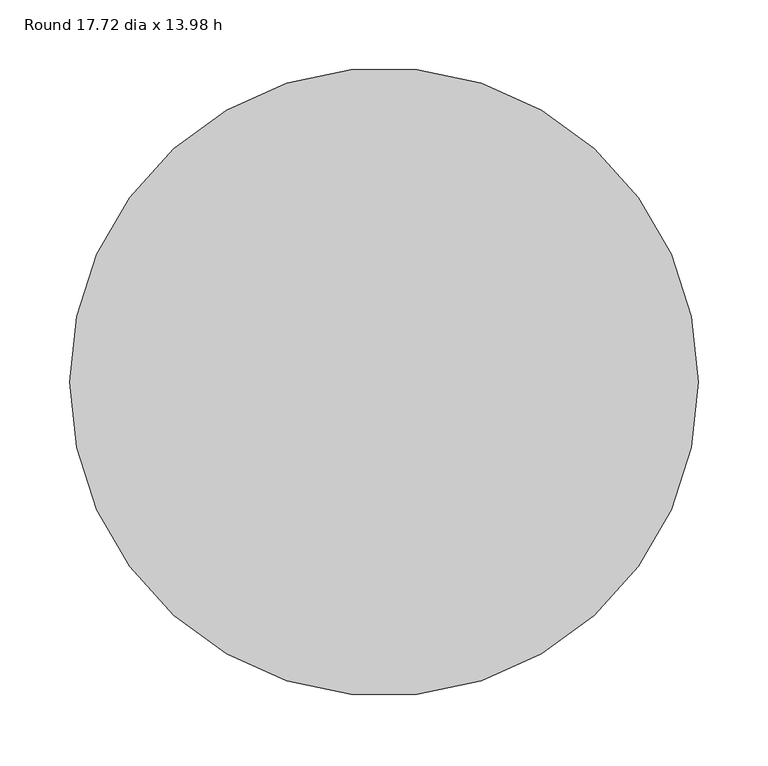
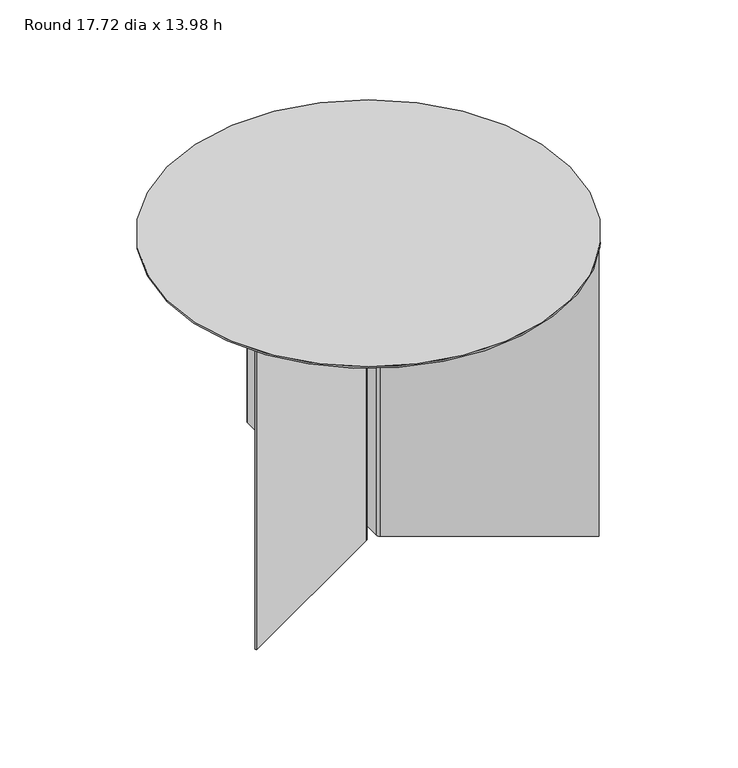
"""IFC4 building model written with IfcOpenShell, lengths in millimetres: furniture geometry, Round 17.72 dia x 13.98 h."""

from ifc_helpers import new_model, si_unit, point, frame, frame_2d, origin, origin_with_axes, origin_2d, place, context, project, spatial, polyline, circle_curve, trimmed, segment, composite_curve, outline, extrude, source, transform, mapped, element, save


def round_17_72_dia_x_13_98_h_0efc124b(model_context):
    return source(origin(), model_context, "Body", "SweptSolid", [
        extrude(outline(composite_curve([segment(trimmed(circle_curve(frame_2d((6.2607395, 221.7437724)), 1.2573143), [point((6.2607395, 223.0010867))], [point((7.5180538, 221.7437724))], False, "CARTESIAN"), True, "CONTINUOUS"), segment(polyline([(7.5180538, 221.7437724), (7.5180538, -5.0300907)]), True, "CONTINUOUS"), segment(trimmed(circle_curve(frame_2d((9.7675991, -5.0300907)), 2.2495454), [point((7.5180538, -5.0300907))], [point((8.6428265, -6.9782541))], True, "CARTESIAN"), True, "CONTINUOUS"), segment(polyline([(8.6428265, -6.9782541), (192.2700577, -112.9954855), (191.2700628, -114.7275405), (7.6757024, -8.7292871)]), True, "CONTINUOUS"), segment(trimmed(circle_curve(frame_2d((9.8334338, -4.9919865)), 4.315463), [point((7.6757024, -8.7292871))], [point((5.5179709, -4.9919865))], False, "CARTESIAN"), True, "CONTINUOUS"), segment(polyline([(5.5179709, -4.9919865), (5.5179709, 221.0011361), (-5.5179709, 221.0011361), (-5.5179709, -4.9919865)]), True, "CONTINUOUS"), segment(trimmed(circle_curve(frame_2d((-9.8334338, -4.9919865)), 4.315463), [point((-5.5179709, -4.9919865))], [point((-7.6757024, -8.7292871))], False, "CARTESIAN"), True, "CONTINUOUS"), segment(polyline([(-7.6757024, -8.7292871), (-191.2700628, -114.7275405), (-192.2700577, -112.9954855), (-8.6428265, -6.9782541)]), True, "CONTINUOUS"), segment(trimmed(circle_curve(frame_2d((-9.7675991, -5.0300907)), 2.2495454), [point((-8.6428265, -6.9782541))], [point((-7.5180538, -5.0300907))], True, "CARTESIAN"), True, "CONTINUOUS"), segment(polyline([(-7.5180538, -5.0300907), (-7.5180538, 221.7437724)]), True, "CONTINUOUS"), segment(trimmed(circle_curve(frame_2d((-6.2607395, 221.7437724)), 1.2573143), [point((-7.5180538, 221.7437724))], [point((-6.2607395, 223.0010867))], False, "CARTESIAN"), True, "CONTINUOUS"), segment(polyline([(-6.2607395, 223.0010867), (6.2607395, 223.0010867)]), True, "CONTINUOUS")], self_intersect=False)), origin_with_axes(), (0.0, 0.0, 1.0), 353.0001829),
        extrude(outline(composite_curve([segment(trimmed(circle_curve(origin_2d(), 224.9977657), [point((-224.9977657, 0.0))], [point((224.9977657, 0.0))], False, "CARTESIAN"), True, "CONTINUOUS"), segment(trimmed(circle_curve(origin_2d(), 224.9977657), [point((224.9977657, 0.0))], [point((-224.9977657, 0.0))], False, "CARTESIAN"), True, "CONTINUOUS")], self_intersect=False)), frame((0.0, 0.0, 353.0001829), z_axis=(0.0, 0.0, 1.0), x_axis=(1.0, 0.0, 0.0)), (0.0, 0.0, 1.0), 2.0000233),
    ])


if __name__ == "__main__":
    model = new_model("IFC4")
    model_context = context("Model", 3, world=origin())
    ifc_project = project(units=[si_unit("LENGTHUNIT", "METRE", prefix="MILLI")], contexts=[model_context])
    site = spatial("IfcSite", under=ifc_project)
    building = spatial("IfcBuilding", under=site)
    placement = place(None, origin())
    round_17_72_dia_x_13_98_h_shape = round_17_72_dia_x_13_98_h_0efc124b(model_context)
    element("IfcFurniture", 1, ObjectType="Round 17.72 dia x 13.98 h", at=placement, inside=building, context=model_context, shape_type="MappedRepresentation", body=[
        mapped(round_17_72_dia_x_13_98_h_shape, transform((0.0, 0.0, 0.0), x_axis=(1.0, 0.0, 0.0), y_axis=(0.0, 1.0, 0.0), z_axis=(0.0, 0.0, 1.0))),
    ])
    save(model, "model.ifc")
